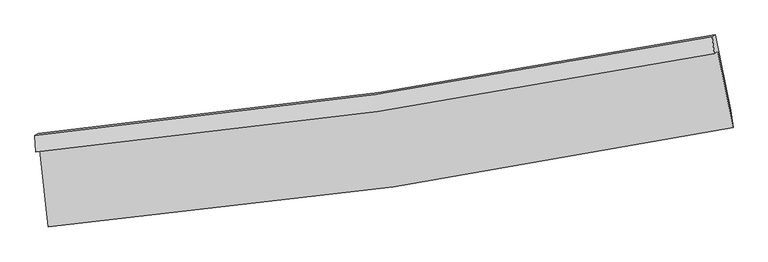
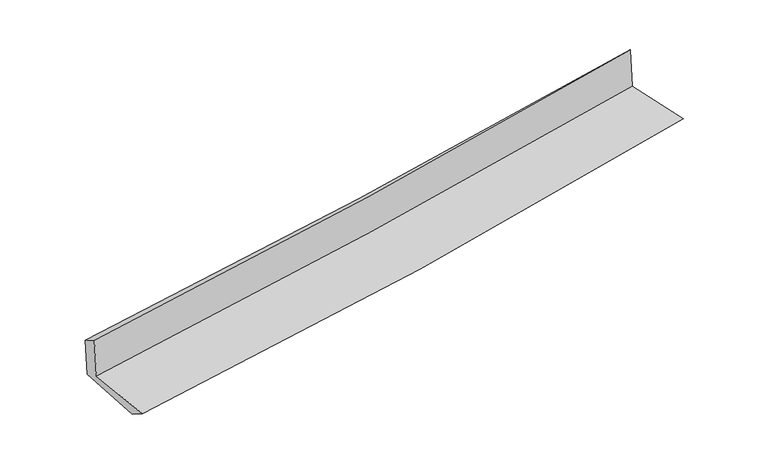
"""IFC4 building model written with IfcOpenShell, lengths in millimetres: proxy geometry."""

from ifc_helpers import new_model, si_unit, frame, origin, place, context, project, spatial, source, transform, mapped, element, save
from ifc_brep_helpers import plane_surface, spline_curve, spline_surface, advanced_brep


def generic_models_d3df832b(model_context):
    return source(origin(), model_context, "Body", "AdvancedBrep", [
        advanced_brep(
        [(-2966.4578053, -1900.4530246, 1623.505072), (-2889.922004, -2566.7025439, 1599.7402538), (3038.1921555, -1702.7649315, 2131.0255753), (2905.9761814, -1044.4079754, 2124.6472424), (-2997.7111842, -1918.479424, 2028.2242405), (2874.2740895, -1062.6931845, 2535.1770698), (-3006.7580575, -1772.6002419, 1939.6284719), (2856.9892313, -916.4134627, 2393.4878174), (-2977.3878725, -1755.6600358, 1559.2959363), (2883.6321264, -901.0463093, 2048.4726306), (-2899.7989335, -2407.5506759, 1503.168032), (3019.4136154, -1559.7116456, 2014.2112637)],
        [
            (0, 1),
            (1, 2, spline_curve(3, [(-2889.922004, -2566.7025439, 1599.7402538), (-1891.153897563, -2479.736794779, 1698.239431883), (-896.40999795, -2363.98159589, 1791.871431578), (1079.583939048, -2075.686781286, 1968.913181245), (2060.878092624, -1903.462776169, 2052.376288954), (3038.1921555, -1702.7649315, 2131.0255753)], [4, 2, 4], [0.0, 9.849425140038289, 19.644713343151444])),
            (2, 3),
            (3, 0, spline_curve(3, [(2905.9761814, -1044.4079754, 2124.6472424), (1935.665482505, -1237.264926623, 2059.622229925), (962.497136152, -1404.903587553, 1985.488135548), (-994.949184499, -1690.531462066, 1818.541712394), (-1979.258833961, -1808.241150886, 1725.628416651), (-2966.4578053, -1900.4530246, 1623.505072)], [4, 2, 4], [0.0, 9.795288203113156, 19.644713343151444])),
            (4, 0),
            (3, 5),
            (5, 4, spline_curve(3, [(2874.2740895, -1062.6931845, 2535.1770698), (1904.41871137, -1255.287514772, 2464.255829357), (931.515839862, -1422.773054372, 2386.683940175), (-1025.778805622, -1708.31344536, 2217.773380998), (-2010.204358828, -1826.089985535, 2126.360993538), (-2997.7111842, -1918.479424, 2028.2242405)], [4, 2, 4], [0.0, 9.74697188688626, 19.547813674413494])),
            (6, 4),
            (5, 7),
            (7, 6, spline_curve(3, [(2856.9892313, -916.4134627, 2393.4878174), (1887.926028998, -1109.266978965, 2337.350135165), (916.103057036, -1276.915663335, 2271.590500445), (-1038.448782567, -1562.590632467, 2120.410703795), (-2021.208240603, -1680.337540831, 2034.8838901), (-3006.7580575, -1772.6002419, 1939.6284719)], [4, 2, 4], [0.0, 9.736808535662997, 19.527430800806638])),
            (8, 6),
            (7, 9),
            (9, 8, spline_curve(3, [(2883.6321264, -901.0463093, 2048.4726306), (1916.174871857, -1092.973543038, 1971.538544807), (945.383109935, -1260.02744367, 1892.425139428), (-1008.253262419, -1545.174387399, 1729.390397532), (-1991.134833738, -1662.991728691, 1645.444904841), (-2977.3878725, -1755.6600358, 1559.2959363)], [4, 2, 4], [0.0, 9.7264484773253, 19.506653425803247])),
            (10, 8),
            (9, 11),
            (11, 10, spline_curve(3, [(3019.4136154, -1559.7116456, 2014.2112637), (2042.405055589, -1752.701455729, 1939.492734192), (1062.001792302, -1919.72665803, 1859.677977866), (-911.031429459, -2202.627465332, 1689.386721378), (-1903.699015851, -2318.215273172, 1598.853734182), (-2899.7989335, -2407.5506759, 1503.168032)], [4, 2, 4], [0.0, 9.774010306338292, 19.602039950187415])),
            (1, 10),
            (11, 2),
        ],
        [
            spline_surface(3, 3, [[(-2966.4578053, -1900.4530246, 1623.505072), (-1979.258833957, -1808.241151028, 1725.628416534), (-994.949184562, -1690.531462155, 1818.541712423), (962.497136215, -1404.903587464, 1985.48813552), (1935.665482416, -1237.264926617, 2059.622229799), (2905.9761814, -1044.4079754, 2124.6472424)], [(-2940.945871542, -2122.536197697, 1615.583465911), (-1949.89052179, -2032.073032252, 1716.498755002), (-962.102789045, -1915.014840011, 1809.651618783), (1001.526070462, -1628.497985451, 1979.963150765), (1977.403019181, -1459.330876503, 2057.206916173), (2950.048172759, -1263.860294095, 2126.773353375)], [(-2915.433937758, -2344.619370803, 1607.661859889), (-1920.522209599, -2255.904913486, 1707.369093537), (-929.256393452, -2139.498217881, 1800.761525176), (1040.555004786, -1852.092383451, 1974.438166042), (2019.140555967, -1681.396826405, 2054.791602522), (2994.120164141, -1483.312612805, 2128.899464325)], [(-2889.922004, -2566.7025439, 1599.7402538), (-1891.153897432, -2479.736794709, 1698.239432005), (-896.409997936, -2363.981595738, 1791.871431536), (1079.583939034, -2075.686781438, 1968.913181287), (2060.878092732, -1903.462776292, 2052.376288896), (3038.1921555, -1702.7649315, 2131.0255753)]], [4, 4], [4, 2, 4], [0.0, 2.234422854026811], [0.0, 9.849425140038289, 19.644713343151444]),
            spline_surface(3, 3, [[(-2997.7111842, -1918.479424, 2028.2242405), (-2010.204358764, -1826.089985601, 2126.3609936), (-1025.778805632, -1708.313445396, 2217.773380987), (931.515839872, -1422.773054335, 2386.683940186), (1904.418711292, -1255.287514701, 2464.255829265), (2874.2740895, -1062.6931845, 2535.1770698)], [(-2987.293391228, -1912.470624224, 1893.317851006), (-1999.889183823, -1820.140374101, 1992.783467917), (-1015.502265269, -1702.386117641, 2084.696158137), (941.842938659, -1416.81656537, 2252.952005302), (1914.834301649, -1249.279985354, 2329.377962781), (2884.841453449, -1056.598114815, 2398.333794005)], [(-2976.875598272, -1906.461824376, 1758.411461494), (-1989.574008897, -1814.190762528, 1859.205942217), (-1005.225724925, -1696.45878991, 1951.618935272), (952.170037428, -1410.860076429, 2119.220070403), (1925.249892059, -1243.272455963, 2194.500096283), (2895.408817451, -1050.503045085, 2261.490518195)], [(-2966.4578053, -1900.4530246, 1623.505072), (-1979.258833957, -1808.241151028, 1725.628416534), (-994.949184562, -1690.531462155, 1818.541712423), (962.497136215, -1404.903587464, 1985.48813552), (1935.665482416, -1237.264926617, 2059.622229799), (2905.9761814, -1044.4079754, 2124.6472424)]], [4, 4], [4, 2, 4], [0.0, 1.3182266795148891], [0.0, 9.800841787527233, 19.547813674413494]),
            spline_surface(3, 3, [[(-3006.7580575, -1772.6002419, 1939.6284719), (-2021.208240453, -1680.337540887, 2034.8838901), (-1038.448782636, -1562.590632327, 2120.410703769), (916.103057105, -1276.915663474, 2271.590500471), (1887.926028853, -1109.266978994, 2337.350135314), (2856.9892313, -916.4134627, 2393.4878174)], [(-3003.742433049, -1821.226635904, 1969.160394759), (-2017.540279872, -1728.921689096, 2065.376257925), (-1034.225456957, -1611.164903361, 2152.864929492), (921.240651372, -1325.534793771, 2309.954980359), (1893.423589675, -1157.940490884, 2379.652033279), (2862.750850709, -965.173369954, 2440.717568182)], [(-3000.726808651, -1869.853029996, 1998.692317641), (-2013.872319345, -1777.505837392, 2095.868625775), (-1030.002131312, -1659.739174363, 2185.319155264), (926.378245605, -1374.153924038, 2348.319460297), (1898.92115047, -1206.61400281, 2421.9539313), (2868.512470091, -1013.933277246, 2487.947319018)], [(-2997.7111842, -1918.479424, 2028.2242405), (-2010.204358764, -1826.089985601, 2126.3609936), (-1025.778805632, -1708.313445396, 2217.773380987), (931.515839872, -1422.773054335, 2386.683940186), (1904.418711292, -1255.287514701, 2464.255829265), (2874.2740895, -1062.6931845, 2535.1770698)]], [4, 4], [4, 2, 4], [0.0, 0.593511376490128], [0.0, 9.790622265143641, 19.527430800806638]),
            spline_surface(3, 3, [[(-2977.3878725, -1755.6600358, 1559.2959363), (-1991.134833702, -1662.991728847, 1645.444904815), (-1008.253262544, -1545.174387288, 1729.390397455), (945.383110058, -1260.02744378, 1892.425139505), (1916.174871807, -1092.973543114, 1971.538544967), (2883.6321264, -901.0463093, 2048.4726306)], [(-2987.177934165, -1761.306771197, 1686.073448173), (-2001.159302618, -1668.773666225, 1775.257899917), (-1018.318435919, -1550.979802282, 1859.730499568), (935.623092396, -1265.656850325, 2018.813593168), (1906.758590811, -1098.404688395, 2093.475741751), (2874.751161355, -906.168693754, 2163.477692868)], [(-2996.967995835, -1766.953506503, 1812.850960027), (-2011.183771538, -1674.555603509, 1905.070894998), (-1028.383609261, -1556.785217334, 1990.070601656), (925.863074767, -1271.286256929, 2145.202046807), (1897.342309849, -1103.835833713, 2215.41293853), (2865.870196345, -911.291078246, 2278.482755132)], [(-3006.7580575, -1772.6002419, 1939.6284719), (-2021.208240453, -1680.337540887, 2034.8838901), (-1038.448782636, -1562.590632327, 2120.410703769), (916.103057105, -1276.915663474, 2271.590500471), (1887.926028853, -1109.266978994, 2337.350135314), (2856.9892313, -916.4134627, 2393.4878174)]], [4, 4], [4, 2, 4], [0.0, 1.2685453732294545], [0.0, 9.780204948477946, 19.506653425803247]),
            spline_surface(3, 3, [[(-2899.7989335, -2407.5506759, 1503.168032), (-1903.699015966, -2318.215273218, 1598.853734186), (-911.031429579, -2202.627465371, 1689.386721512), (1062.001792421, -1919.726657991, 1859.677977733), (2042.405055688, -1752.701455711, 1939.492734312), (3019.4136154, -1559.7116456, 2014.2112637)], [(-2925.661913182, -2190.253795848, 1521.877333449), (-1932.84428856, -2099.807425076, 1614.384124412), (-943.438707235, -1983.476439348, 1702.721280152), (1023.128898299, -1699.826919925, 1870.593698315), (2000.328327752, -1532.792151509, 1950.174671213), (2974.153119091, -1340.156533497, 2025.63171935)], [(-2951.524892818, -1972.956915852, 1540.586634851), (-1961.989561108, -1881.399576989, 1629.91451459), (-975.845984888, -1764.325413311, 1716.055838816), (984.25600418, -1479.927181846, 1881.509418922), (1958.251599742, -1312.882847316, 1960.856608065), (2928.892622709, -1120.601421403, 2037.05217495)], [(-2977.3878725, -1755.6600358, 1559.2959363), (-1991.134833702, -1662.991728847, 1645.444904815), (-1008.253262544, -1545.174387288, 1729.390397455), (945.383110058, -1260.02744378, 1892.425139505), (1916.174871807, -1092.973543114, 1971.538544967), (2883.6321264, -901.0463093, 2048.4726306)]], [4, 4], [4, 2, 4], [0.0, 2.1921792927595662], [0.0, 9.828029643849122, 19.602039950187415]),
            spline_surface(3, 3, [[(-2889.922004, -2566.7025439, 1599.7402538), (-1891.153897432, -2479.736794709, 1698.239432005), (-896.409997936, -2363.981595738, 1791.871431536), (1079.583939034, -2075.686781438, 1968.913181287), (2060.878092732, -1903.462776292, 2052.376288896), (3038.1921555, -1702.7649315, 2131.0255753)], [(-2893.214313835, -2513.651921229, 1567.549513202), (-1895.335603611, -2425.896287542, 1665.110866068), (-901.283808463, -2310.196885633, 1757.70986155), (1073.723223516, -2023.700073639, 1932.501446791), (2054.72041372, -1853.209002782, 2014.748437355), (3031.932642136, -1655.080502884, 2092.087471421)], [(-2896.506623665, -2460.601298571, 1535.358772598), (-1899.517309787, -2372.055780386, 1631.982300123), (-906.157619051, -2256.412175476, 1723.548291498), (1067.862507938, -1971.71336579, 1896.089712229), (2048.5627347, -1802.95522922, 1977.120585852), (3025.673128764, -1607.396074216, 2053.149367579)], [(-2899.7989335, -2407.5506759, 1503.168032), (-1903.699015966, -2318.215273218, 1598.853734186), (-911.031429579, -2202.627465371, 1689.386721512), (1062.001792421, -1919.726657991, 1859.677977733), (2042.405055688, -1752.701455711, 1939.492734312), (3019.4136154, -1559.7116456, 2014.2112637)]], [4, 4], [4, 2, 4], [0.0, 0.6279889290643758], [0.0, 9.887068002847467, 19.71979216641148]),
            plane_surface(frame((2929.7462333, -1197.8395848, 2207.8369332), z_axis=(0.9767847303522749, 0.19698071062912445, 0.08420326710216777), x_axis=(-0.0769173515110814, -0.0443645756603417, 0.99604995128909))),
            plane_surface(frame((-2956.3393095, -2053.5743244, 1708.9270011), z_axis=(-0.9904925711333246, -0.11087895342395333, -0.0814268028188803), x_axis=(-0.11405344171135466, 0.9928432112443952, 0.03541426717739506))),
        ],
        [
            (0, [[1, 2, 3, 4]]),
            (1, [[5, -4, 6, 7]]),
            (2, [[8, -7, 9, 10]]),
            (3, [[11, -10, 12, 13]]),
            (4, [[14, -13, 15, 16]]),
            (5, [[17, -16, 18, -2]]),
            (6, [[-12, -9, -6, -3, -18, -15]]),
            (7, [[-1, -5, -8, -11, -14, -17]]),
        ],
    ),
    ])


if __name__ == "__main__":
    model = new_model("IFC4")
    model_context = context("Model", 3, world=origin())
    ifc_project = project(units=[si_unit("LENGTHUNIT", "METRE", prefix="MILLI")], contexts=[model_context])
    site = spatial("IfcSite", under=ifc_project)
    building = spatial("IfcBuilding", under=site)
    placement = place(None, origin())
    generic_models_shape = generic_models_d3df832b(model_context)
    element("IfcBuildingElementProxy", 1, Name="Generic Models", at=placement, inside=building, context=model_context, shape_type="MappedRepresentation", body=[
        mapped(generic_models_shape, transform((0.0, 0.0, 0.0), x_axis=(1.0, 0.0, 0.0), y_axis=(0.0, 1.0, 0.0), z_axis=(0.0, 0.0, 1.0))),
    ])
    save(model, "model.ifc")
